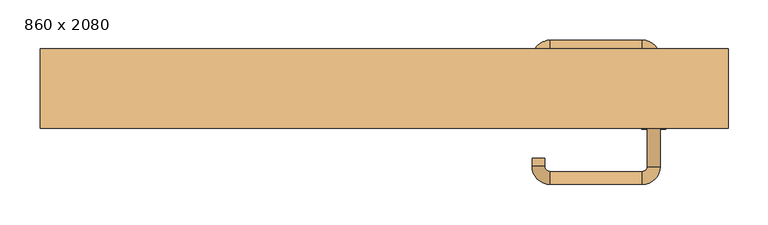
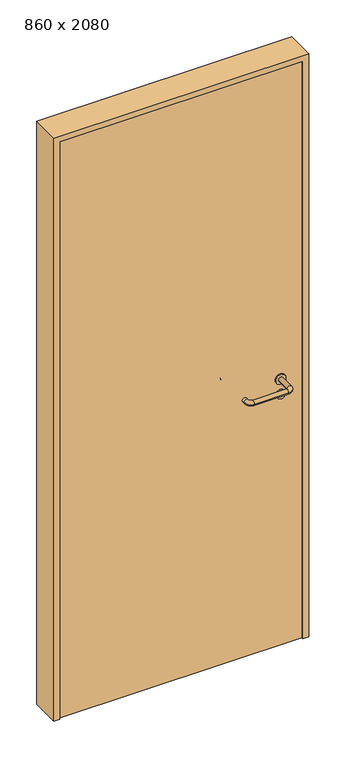
"""IFC4 building model written with IfcOpenShell, lengths in millimetres: door geometry, 860 x 2080."""

from ifc_helpers import new_model, si_unit, point, frame, frame_2d, origin, origin_with_axes, place, context, project, spatial, polyline, circle_curve, ellipse_curve, trimmed, segment, composite_curve, outline, extrude, source, transform, mapped, element, save
from ifc_brep_helpers import plane_surface, cylinder_surface, revolved_surface, advanced_brep


def door_860_x_2080_94854182(model_context):
    return source(origin(), model_context, "Body", "SolidModel", [
        extrude(outline(composite_curve([segment(trimmed(circle_curve(frame_2d((897.3605726, 337.0)), 15.0), [point((897.3605726, 352.0))], [point((897.3605726, 322.0))], False, "CARTESIAN"), True, "CONTINUOUS"), segment(trimmed(circle_curve(frame_2d((897.3605726, 337.0)), 15.0), [point((897.3605726, 322.0))], [point((897.3605726, 352.0))], False, "CARTESIAN"), True, "CONTINUOUS")], self_intersect=False), holes=[composite_curve([segment(trimmed(circle_curve(frame_2d((892.5833211, 336.9398032)), 2.0), [point((892.5833211, 338.9398032))], [point((892.5833211, 334.9398032))], True, "CARTESIAN"), True, "CONTINUOUS"), segment(polyline([(892.5833211, 334.9398032), (902.5833211, 334.9398032)]), True, "CONTINUOUS"), segment(trimmed(circle_curve(frame_2d((902.5833211, 336.9398032)), 2.0), [point((902.5833211, 334.9398032))], [point((902.5833211, 338.9398032))], True, "CARTESIAN"), True, "CONTINUOUS"), segment(polyline([(902.5833211, 338.9398032), (892.5833211, 338.9398032)]), True, "CONTINUOUS")], self_intersect=False)]), frame((0.0, -15.0, 0.0), z_axis=(0.0, 1.0, 0.0), x_axis=(0.0, 0.0, 1.0)), (0.0, 0.0, 1.0), 6.35),
        extrude(outline(composite_curve([segment(trimmed(circle_curve(frame_2d((950.0, 337.0)), 17.526), [point((950.0, 354.526))], [point((950.0, 319.474))], False, "CARTESIAN"), True, "CONTINUOUS"), segment(trimmed(circle_curve(frame_2d((950.0, 337.0)), 17.526), [point((950.0, 319.474))], [point((950.0, 354.526))], False, "CARTESIAN"), True, "CONTINUOUS")], self_intersect=False)), frame((0.0, -15.0, 0.0), z_axis=(0.0, 1.0, 0.0), x_axis=(0.0, 0.0, 1.0)), (0.0, 0.0, 1.0), 3.175),
        advanced_brep(
        [(345.0, -15.0, 950.0), (329.0, -15.0, 950.0), (345.0, 38.0, 950.0), (329.0, 38.0, 950.0), (322.8578644, 44.1421356, 950.0), (322.8578644, 60.1421356, 950.0), (207.8578644, 60.1421356, 950.0), (207.8578644, 44.1421356, 950.0), (201.008622, 37.2928932, 950.0), (185.008622, 37.2928932, 950.0), (185.008622, 27.2928932, 950.0), (201.008622, 27.2928932, 950.0)],
        [
            (0, 1, circle_curve(frame((337.0, -15.0, 950.0), z_axis=(0.0, -1.0, 0.0), x_axis=(-1.0, 0.0, 0.0)), 8.0)),
            (1, 0, circle_curve(frame((337.0, -15.0, 950.0), z_axis=(0.0, -1.0, 0.0), x_axis=(-1.0, 0.0, 0.0)), 8.0)),
            (0, 2),
            (2, 3, circle_curve(frame((337.0, 38.0, 950.0), z_axis=(0.0, -1.0, 0.0), x_axis=(-1.0, 0.0, 0.0)), 8.0)),
            (3, 1),
            (3, 2, circle_curve(frame((337.0, 38.0, 950.0), z_axis=(0.0, -1.0, 0.0), x_axis=(-1.0, 0.0, 0.0)), 8.0)),
            (4, 3, circle_curve(frame((322.8578644, 38.0, 950.0), z_axis=(0.0, 0.0, -1.0), x_axis=(1.0, 0.0, 0.0)), 6.1421356)),
            (2, 5, circle_curve(frame((322.8578644, 38.0, 950.0), z_axis=(0.0, 0.0, 1.0), x_axis=(1.0, 0.0, 0.0)), 22.1421356)),
            (5, 4, circle_curve(frame((322.8578644, 52.1421356, 950.0), z_axis=(1.0, 0.0, 0.0), x_axis=(0.0, -1.0, 0.0)), 8.0)),
            (4, 5, circle_curve(frame((322.8578644, 52.1421356, 950.0), z_axis=(1.0, 0.0, 0.0), x_axis=(0.0, -1.0, 0.0)), 8.0)),
            (5, 6),
            (6, 7, circle_curve(frame((207.8578644, 52.1421356, 950.0), z_axis=(1.0, 0.0, 0.0), x_axis=(0.0, -1.0, 0.0)), 8.0)),
            (7, 4),
            (7, 6, circle_curve(frame((207.8578644, 52.1421356, 950.0), z_axis=(1.0, 0.0, 0.0), x_axis=(0.0, -1.0, 0.0)), 8.0)),
            (8, 7, circle_curve(frame((207.8578644, 37.2928932, 950.0), z_axis=(0.0, 0.0, -1.0), x_axis=(0.0, 1.0, 0.0)), 6.8492424)),
            (6, 9, circle_curve(frame((207.8578644, 37.2928932, 950.0), z_axis=(0.0, 0.0, 1.0), x_axis=(0.0, 1.0, 0.0)), 22.8492424)),
            (9, 8, circle_curve(frame((193.008622, 37.2928932, 950.0), z_axis=(0.0, 1.0, 0.0), x_axis=(1.0, 0.0, 0.0)), 8.0)),
            (8, 9, circle_curve(frame((193.008622, 37.2928932, 950.0), z_axis=(0.0, 1.0, 0.0), x_axis=(1.0, 0.0, 0.0)), 8.0)),
            (10, 11, circle_curve(frame((193.008622, 27.2928932, 950.0), z_axis=(0.0, -1.0, 0.0), x_axis=(1.0, 0.0, 0.0)), 8.0)),
            (11, 10, circle_curve(frame((193.008622, 27.2928932, 950.0), z_axis=(0.0, -1.0, 0.0), x_axis=(1.0, 0.0, 0.0)), 8.0)),
            (9, 10),
            (11, 8),
        ],
        [
            plane_surface(frame((337.0, -15.0, 0.0), z_axis=(0.0, -1.0, 0.0), x_axis=(0.0, 0.0, 1.0))),
            cylinder_surface(frame((337.0, -15.0, 950.0), z_axis=(0.0, -1.0, 0.0), x_axis=(-1.0, 0.0, 0.0)), 8.0),
            revolved_surface(trimmed(ellipse_curve(frame((337.0, 38.0, 950.0), z_axis=(0.0, -1.0, 0.0), x_axis=(-1.0, 0.0, 0.0)), 8.0, 8.0), [point((345.0, 38.0, 950.0))], [point((329.0, 38.0, 950.0))], True, "CARTESIAN"), (322.8578644, 38.0, 0.0), (0.0, 0.0, 1.0)),
            revolved_surface(trimmed(ellipse_curve(frame((337.0, 38.0, 950.0), z_axis=(0.0, -1.0, 0.0), x_axis=(-1.0, 0.0, 0.0)), 8.0, 8.0), [point((329.0, 38.0, 950.0))], [point((345.0, 38.0, 950.0))], True, "CARTESIAN"), (322.8578644, 38.0, 0.0), (0.0, 0.0, 1.0)),
            cylinder_surface(frame((322.8578644, 52.1421356, 950.0), z_axis=(1.0, 0.0, 0.0), x_axis=(0.0, -1.0, 0.0)), 8.0),
            revolved_surface(trimmed(ellipse_curve(frame((207.8578644, 52.1421356, 950.0), z_axis=(1.0, 0.0, 0.0), x_axis=(0.0, -1.0, 0.0)), 8.0, 8.0), [point((207.8578644, 60.1421356, 950.0))], [point((207.8578644, 44.1421356, 950.0))], True, "CARTESIAN"), (207.8578644, 37.2928932, 0.0), (0.0, 0.0, 1.0)),
            revolved_surface(trimmed(ellipse_curve(frame((207.8578644, 52.1421356, 950.0), z_axis=(1.0, 0.0, 0.0), x_axis=(0.0, -1.0, 0.0)), 8.0, 8.0), [point((207.8578644, 44.1421356, 950.0))], [point((207.8578644, 60.1421356, 950.0))], True, "CARTESIAN"), (207.8578644, 37.2928932, 0.0), (0.0, 0.0, 1.0)),
            plane_surface(frame((193.008622, 27.2928932, 0.0), z_axis=(0.0, -1.0, 0.0), x_axis=(0.0, 0.0, 1.0))),
            cylinder_surface(frame((193.008622, 37.2928932, 950.0), z_axis=(0.0, 1.0, 0.0), x_axis=(1.0, 0.0, 0.0)), 8.0),
        ],
        [
            (0, [[1, 2]]),
            (1, [[-1, 3, 4, 5]]),
            (1, [[-2, -5, 6, -3]]),
            (2, [[7, -4, 8, 9]]),
            (3, [[-8, -6, -7, 10]]),
            (4, [[-9, 11, 12, 13]]),
            (4, [[-10, -13, 14, -11]]),
            (5, [[15, -12, 16, 17]]),
            (6, [[-16, -14, -15, 18]]),
            (7, [[19, 20]]),
            (8, [[-17, 21, -20, 22]]),
            (8, [[-18, -22, -19, -21]]),
        ],
    ),
        extrude(outline(composite_curve([segment(trimmed(circle_curve(frame_2d((0.0, 15.0)), 15.0), [point((0.0, 30.0))], [point((0.0, 0.0))], False, "CARTESIAN"), True, "CONTINUOUS"), segment(trimmed(circle_curve(frame_2d((0.0, 15.0)), 15.0), [point((0.0, 0.0))], [point((0.0, 30.0))], False, "CARTESIAN"), True, "CONTINUOUS")], self_intersect=False), holes=[composite_curve([segment(trimmed(circle_curve(frame_2d((-4.7772515, 14.9398032)), 2.0), [point((-4.7772515, 16.9398032))], [point((-4.7772515, 12.9398032))], True, "CARTESIAN"), True, "CONTINUOUS"), segment(polyline([(-4.7772515, 12.9398032), (5.2227485, 12.9398032)]), True, "CONTINUOUS"), segment(trimmed(circle_curve(frame_2d((5.2227485, 14.9398032)), 2.0), [point((5.2227485, 12.9398032))], [point((5.2227485, 16.9398032))], True, "CARTESIAN"), True, "CONTINUOUS"), segment(polyline([(5.2227485, 16.9398032), (-4.7772515, 16.9398032)]), True, "CONTINUOUS")], self_intersect=False)]), frame((322.0, -51.35, 897.3605726), z_axis=(-1.8870575173328306e-12, 1.0, 0.0), x_axis=(0.0, 0.0, 1.0)), (0.0, 0.0, 1.0), 6.35),
        extrude(outline(composite_curve([segment(trimmed(circle_curve(frame_2d((0.0, 17.526)), 17.526), [point((0.0, 35.052))], [point((0.0, 0.0))], False, "CARTESIAN"), True, "CONTINUOUS"), segment(trimmed(circle_curve(frame_2d((0.0, 17.526)), 17.526), [point((0.0, 0.0))], [point((0.0, 35.052))], False, "CARTESIAN"), True, "CONTINUOUS")], self_intersect=False)), frame((319.474, -48.175, 950.0), z_axis=(-1.8870575173328306e-12, 1.0, 0.0), x_axis=(0.0, 0.0, 1.0)), (0.0, 0.0, 1.0), 3.175),
        advanced_brep(
        [(345.0, -45.0, 950.0), (329.0, -45.0, 950.0), (329.0, -98.0, 950.0), (345.0, -98.0, 950.0), (322.8578644, -104.1421356, 950.0), (322.8578644, -120.1421356, 950.0), (207.8578644, -104.1421356, 950.0), (207.8578644, -120.1421356, 950.0), (201.008622, -97.2928932, 950.0), (185.008622, -97.2928932, 950.0), (185.008622, -87.2928932, 950.0), (201.008622, -87.2928932, 950.0)],
        [
            (0, 1, circle_curve(frame((337.0, -45.0, 950.0), z_axis=(-1.888672253512351e-12, 1.0, 0.0), x_axis=(-1.0, -1.888672253512351e-12, 0.0)), 8.0)),
            (1, 0, circle_curve(frame((337.0, -45.0, 950.0), z_axis=(-1.888672253512351e-12, 1.0, 0.0), x_axis=(-1.0, -1.888672253512351e-12, 0.0)), 8.0)),
            (1, 2),
            (2, 3, circle_curve(frame((337.0, -98.0, 950.0), z_axis=(-1.888672253512351e-12, 1.0, 0.0), x_axis=(-1.0, -1.888672253512351e-12, 0.0)), 8.0)),
            (3, 0),
            (3, 2, circle_curve(frame((337.0, -98.0, 950.0), z_axis=(-1.888672253512351e-12, 1.0, 0.0), x_axis=(-1.0, -1.888672253512351e-12, 0.0)), 8.0)),
            (4, 5, circle_curve(frame((322.8578644, -112.1421356, 950.0), z_axis=(1.0, 1.913702061528922e-12, 0.0), x_axis=(-1.913702061528922e-12, 1.0, 0.0)), 8.0)),
            (5, 3, circle_curve(frame((322.8578644, -98.0, 950.0), z_axis=(0.0, 0.0, 1.0), x_axis=(1.0, 1.880717803715015e-12, 0.0)), 22.1421356)),
            (2, 4, circle_curve(frame((322.8578644, -98.0, 950.0), z_axis=(0.0, 0.0, -1.0), x_axis=(1.0, 1.880717803715015e-12, 0.0)), 6.1421356)),
            (5, 4, circle_curve(frame((322.8578644, -112.1421356, 950.0), z_axis=(1.0, 1.913702061528922e-12, 0.0), x_axis=(-1.913702061528922e-12, 1.0, 0.0)), 8.0)),
            (4, 6),
            (6, 7, circle_curve(frame((207.8578644, -112.1421356, 950.0), z_axis=(1.0, 1.913719828541269e-12, 0.0), x_axis=(-1.913719828541269e-12, 1.0, 0.0)), 8.0)),
            (7, 5),
            (7, 6, circle_curve(frame((207.8578644, -112.1421356, 950.0), z_axis=(1.0, 1.913719828541269e-12, 0.0), x_axis=(-1.913719828541269e-12, 1.0, 0.0)), 8.0)),
            (8, 9, circle_curve(frame((193.008622, -97.2928932, 950.0), z_axis=(1.8888942981172756e-12, -1.0, 0.0), x_axis=(1.0, 1.8888942981172756e-12, 0.0)), 8.0)),
            (9, 7, circle_curve(frame((207.8578644, -97.2928932, 950.0), z_axis=(0.0, 0.0, 1.0), x_axis=(1.9120873253494017e-12, -1.0, 0.0)), 22.8492424)),
            (6, 8, circle_curve(frame((207.8578644, -97.2928932, 950.0), z_axis=(0.0, 0.0, -1.0), x_axis=(1.9120873253494017e-12, -1.0, 0.0)), 6.8492424)),
            (9, 8, circle_curve(frame((193.008622, -97.2928932, 950.0), z_axis=(1.890448610351751e-12, -1.0, 0.0), x_axis=(1.0, 1.890448610351751e-12, 0.0)), 8.0)),
            (10, 11, circle_curve(frame((193.008622, -87.2928932, 950.0), z_axis=(-1.8903642334018795e-12, 1.0, 0.0), x_axis=(1.0, 1.8903642334018795e-12, 0.0)), 8.0)),
            (11, 10, circle_curve(frame((193.008622, -87.2928932, 950.0), z_axis=(-1.8903642334018795e-12, 1.0, 0.0), x_axis=(1.0, 1.8903642334018795e-12, 0.0)), 8.0)),
            (8, 11),
            (10, 9),
        ],
        [
            plane_surface(frame((337.0, -45.0, 0.0), z_axis=(-1.8870575173328306e-12, 1.0, 0.0), x_axis=(0.0, 0.0, 1.0))),
            cylinder_surface(frame((337.0, -45.0, 950.0), z_axis=(-1.888672253512351e-12, 1.0, 0.0), x_axis=(-1.0, -1.888672253512351e-12, 0.0)), 8.0),
            revolved_surface(trimmed(ellipse_curve(frame((337.0, -98.0, 950.0), z_axis=(1.8823325398945356e-12, -1.0, 0.0), x_axis=(-1.0, -1.8823325398945356e-12, 0.0)), 8.0, 8.0), [point((345.0, -98.0, 950.0))], [point((329.0, -98.0, 950.0))], True, "CARTESIAN"), (322.8578644, -98.0, 0.0), (0.0, 0.0, 1.0)),
            revolved_surface(trimmed(ellipse_curve(frame((337.0, -98.0, 950.0), z_axis=(1.8823325398945356e-12, -1.0, 0.0), x_axis=(-1.0, -1.8823325398945356e-12, 0.0)), 8.0, 8.0), [point((329.0, -98.0, 950.0))], [point((345.0, -98.0, 950.0))], True, "CARTESIAN"), (322.8578644, -98.0, 0.0), (0.0, 0.0, 1.0)),
            cylinder_surface(frame((322.8578644, -112.1421356, 950.0), z_axis=(1.0, 1.913719828541269e-12, 0.0), x_axis=(-1.913719828541269e-12, 1.0, 0.0)), 8.0),
            revolved_surface(trimmed(ellipse_curve(frame((207.8578644, -112.1421356, 950.0), z_axis=(-1.0, -1.913702061528922e-12, 0.0), x_axis=(-1.913702061528922e-12, 1.0, 0.0)), 8.0, 8.0), [point((207.8578644, -120.1421356, 950.0))], [point((207.8578644, -104.1421356, 950.0))], True, "CARTESIAN"), (207.8578644, -97.2928932, 0.0), (0.0, 0.0, 1.0)),
            revolved_surface(trimmed(ellipse_curve(frame((207.8578644, -112.1421356, 950.0), z_axis=(-1.0, -1.913702061528922e-12, 0.0), x_axis=(-1.913702061528922e-12, 1.0, 0.0)), 8.0, 8.0), [point((207.8578644, -104.1421356, 950.0))], [point((207.8578644, -120.1421356, 950.0))], True, "CARTESIAN"), (207.8578644, -97.2928932, 0.0), (0.0, 0.0, 1.0)),
            plane_surface(frame((193.008622, -87.2928932, 0.0), z_axis=(-1.8887494972223595e-12, 1.0, 0.0), x_axis=(0.0, 0.0, 1.0))),
            cylinder_surface(frame((193.008622, -97.2928932, 950.0), z_axis=(1.8903642334018795e-12, -1.0, 0.0), x_axis=(1.0, 1.8903642334018795e-12, 0.0)), 8.0),
        ],
        [
            (0, [[1, 2]]),
            (1, [[3, 4, 5, -2]]),
            (1, [[-5, 6, -3, -1]]),
            (2, [[7, 8, -4, 9]]),
            (3, [[10, -9, -6, -8]]),
            (4, [[11, 12, 13, -7]]),
            (4, [[-13, 14, -11, -10]]),
            (5, [[15, 16, -12, 17]]),
            (6, [[18, -17, -14, -16]]),
            (7, [[19, 20]]),
            (8, [[21, -19, 22, -15]]),
            (8, [[-22, -20, -21, -18]]),
        ],
    ),
        extrude(outline(polyline([(2060.0, 410.0), (0.0, 410.0), (0.0, 430.0), (2080.0, 430.0), (2080.0, -430.0), (0.0, -430.0), (0.0, -410.0), (2060.0, -410.0), (2060.0, 410.0)])), frame((0.0, -50.0, 0.0), z_axis=(0.0, 1.0, 0.0), x_axis=(0.0, 0.0, 1.0)), (0.0, 0.0, 1.0), 99.0),
        extrude(outline(polyline([(-410.0, -45.0), (-410.0, -15.0), (410.0, -15.0), (410.0, -45.0), (-410.0, -45.0)])), origin_with_axes(), (0.0, 0.0, 1.0), 2060.0),
    ])


if __name__ == "__main__":
    model = new_model("IFC4")
    model_context = context("Model", 3, world=origin())
    ifc_project = project(units=[si_unit("LENGTHUNIT", "METRE", prefix="MILLI")], contexts=[model_context])
    site = spatial("IfcSite", under=ifc_project)
    building = spatial("IfcBuilding", under=site)
    placement = place(None, origin())
    door_860_x_2080_shape = door_860_x_2080_94854182(model_context)
    element("IfcDoor", 1, ObjectType="860 x 2080", at=placement, inside=building, context=model_context, shape_type="MappedRepresentation", body=[
        mapped(door_860_x_2080_shape, transform((0.0, 0.0, 0.0), x_axis=(1.0, 0.0, 0.0), y_axis=(0.0, 1.0, 0.0), z_axis=(0.0, 0.0, 1.0))),
    ])
    save(model, "model.ifc")
